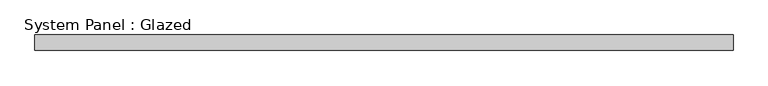
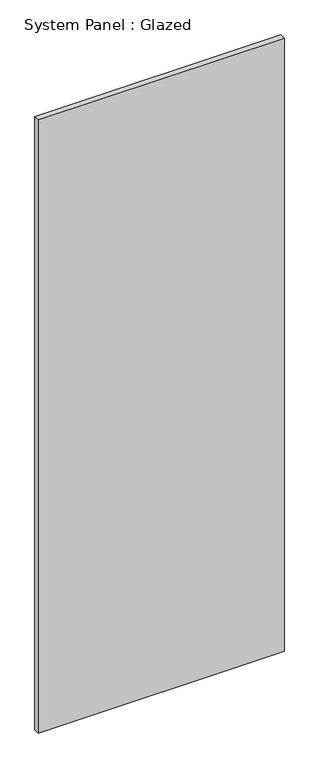
"""IFC4 building model written with IfcOpenShell, lengths in millimetres: plate geometry, System Panel : Glazed."""

from ifc_helpers import new_model, si_unit, origin, origin_with_axes, place, context, project, spatial, polyline, outline, extrude, source, transform, mapped, element, save


def system_panel_glazed_cb9ed49c(model_context):
    return source(origin(), model_context, "Body", "SweptSolid", [
        extrude(outline(polyline([(560.5, -37.5), (-560.5, -37.5), (-560.5, -12.5), (560.5, -12.5), (560.5, -37.5)])), origin_with_axes(), (0.0, 0.0, 1.0), 2950.0),
    ])


if __name__ == "__main__":
    model = new_model("IFC4")
    model_context = context("Model", 3, world=origin())
    ifc_project = project(units=[si_unit("LENGTHUNIT", "METRE", prefix="MILLI")], contexts=[model_context])
    site = spatial("IfcSite", under=ifc_project)
    building = spatial("IfcBuilding", under=site)
    placement = place(None, origin())
    system_panel_glazed_shape = system_panel_glazed_cb9ed49c(model_context)
    element("IfcPlate", 1, ObjectType="System Panel : Glazed", at=placement, inside=building, context=model_context, shape_type="MappedRepresentation", body=[
        mapped(system_panel_glazed_shape, transform((0.0, 0.0, 0.0), x_axis=(1.0, 0.0, 0.0), y_axis=(0.0, 1.0, 0.0), z_axis=(0.0, 0.0, 1.0))),
    ])
    save(model, "model.ifc")
